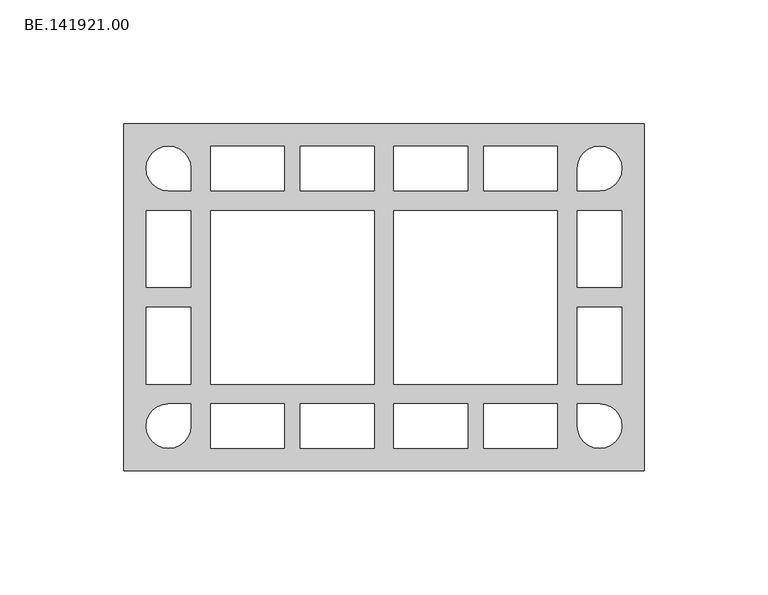
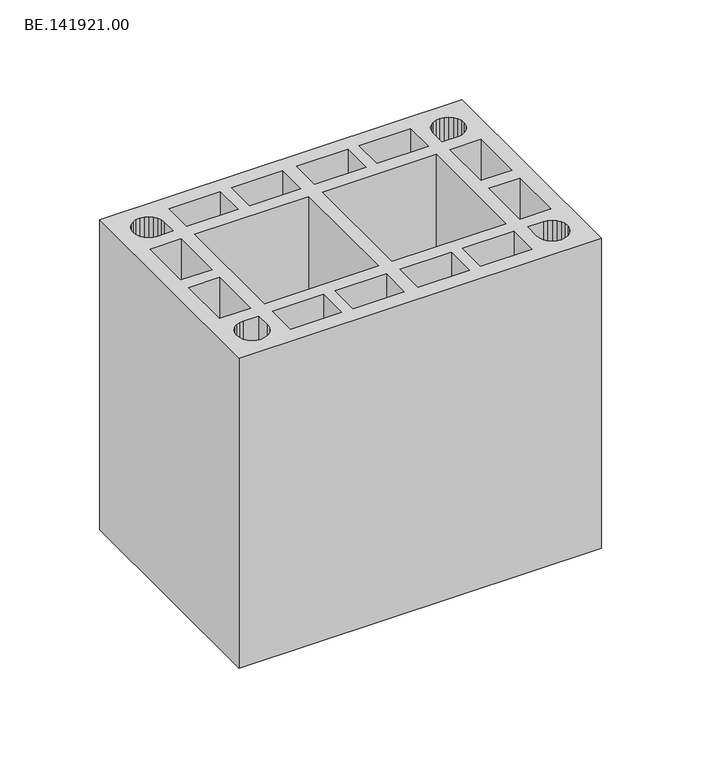
"""IFC4 building model written with IfcOpenShell, lengths in millimetres: proxy geometry, BE.141921.00."""

from ifc_helpers import new_model, si_unit, origin, origin_with_axes, place, context, project, spatial, polyline, outline, extrude, source, transform, mapped, element, save


def be_141921_00_38159638(model_context):
    return source(origin(), model_context, "Body", "SweptSolid", [
        extrude(outline(polyline([(215.0, 70.0050293), (215.0, -70.0050293), (5.0, -70.0050293), (5.0, 70.0050293), (215.0, 70.0050293)]), holes=[polyline([(23.0082031, 42.9927246), (32.0123047, 42.9927246), (32.0123047, 51.9968262), (31.6960449, 54.3222656), (30.8030762, 56.498877), (29.3706055, 58.3592285), (27.5102539, 59.7916992), (25.3336426, 60.684668), (23.0082031, 61.0009277), (20.6827637, 60.684668), (18.5061523, 59.7916992), (16.6458008, 58.3592285), (15.2133301, 56.498877), (14.3203613, 54.3222656), (14.0041016, 51.9968262), (14.3203613, 49.6713867), (15.2133301, 47.4947754), (16.6458008, 45.6344238), (18.5061523, 44.2019531), (20.6827637, 43.3089844), (23.0082031, 42.9927246)]), polyline([(105.9984863, 34.9932129), (40.0118164, 34.9932129), (40.0118164, -35.0118164), (105.9984863, -35.0118164), (105.9984863, 34.9932129)]), polyline([(113.997998, -35.0118164), (180.0032715, -35.0118164), (180.0032715, 34.9932129), (113.997998, 34.9932129), (113.997998, -35.0118164)]), polyline([(14.0041016, 3.9997559), (32.0123047, 3.9997559), (32.0123047, 34.9932129), (14.0041016, 34.9932129), (14.0041016, 3.9997559)]), polyline([(14.0041016, -35.0118164), (32.0123047, -35.0118164), (32.0123047, -3.9997559), (14.0041016, -3.9997559), (14.0041016, -35.0118164)]), polyline([(40.0118164, 42.9927246), (69.7588379, 42.9927246), (69.7588379, 61.0009277), (40.0118164, 61.0009277), (40.0118164, 42.9927246)]), polyline([(76.2514648, 42.9927246), (105.9984863, 42.9927246), (105.9984863, 61.0009277), (76.2514648, 61.0009277), (76.2514648, 42.9927246)]), polyline([(113.997998, 42.9927246), (143.763623, 42.9927246), (143.763623, 61.0009277), (113.997998, 61.0009277), (113.997998, 42.9927246)]), polyline([(150.25625, 61.0009277), (150.25625, 42.9927246), (180.0032715, 42.9927246), (180.0032715, 61.0009277), (150.25625, 61.0009277)]), polyline([(197.0068848, 42.9927246), (199.3323242, 43.3089844), (201.5089355, 44.2019531), (203.3692871, 45.6344238), (204.8017578, 47.4947754), (205.6947266, 49.6713867), (206.0109863, 51.9968262), (205.6947266, 54.3222656), (204.8017578, 56.498877), (203.3692871, 58.3592285), (201.5089355, 59.7916992), (199.3323242, 60.684668), (197.0068848, 61.0009277), (194.6814453, 60.684668), (192.504834, 59.7916992), (190.6444824, 58.3592285), (189.2120117, 56.498877), (188.319043, 54.3222656), (188.0027832, 51.9968262), (188.0027832, 42.9927246), (197.0068848, 42.9927246)]), polyline([(188.319043, -54.3408691), (189.2120117, -56.498877), (190.6444824, -58.3592285), (192.504834, -59.7916992), (194.6814453, -60.7032715), (197.0068848, -61.0009277), (199.3323242, -60.7032715), (201.5089355, -59.7916992), (203.3692871, -58.3592285), (204.8017578, -56.498877), (205.6947266, -54.3408691), (206.0109863, -51.9968262), (205.6947266, -49.6713867), (204.8017578, -47.4947754), (203.3692871, -45.6344238), (201.5089355, -44.2019531), (199.3323242, -43.3089844), (197.0068848, -43.0113281), (188.0027832, -43.0113281), (188.0027832, -51.9968262), (188.319043, -54.3408691)]), polyline([(206.0109863, -35.0118164), (206.0109863, -3.9997559), (188.0027832, -3.9997559), (188.0027832, -35.0118164), (206.0109863, -35.0118164)]), polyline([(206.0109863, 3.9997559), (206.0109863, 34.9932129), (188.0027832, 34.9932129), (188.0027832, 3.9997559), (206.0109863, 3.9997559)]), polyline([(40.0118164, -42.9927246), (40.0118164, -61.0009277), (69.7588379, -61.0009277), (69.7588379, -42.9927246), (40.0118164, -42.9927246)]), polyline([(76.2514648, -42.9927246), (76.2514648, -61.0009277), (105.9984863, -61.0009277), (105.9984863, -42.9927246), (76.2514648, -42.9927246)]), polyline([(113.997998, -42.9927246), (113.997998, -61.0009277), (143.763623, -61.0009277), (143.763623, -42.9927246), (113.997998, -42.9927246)]), polyline([(150.25625, -61.0009277), (180.0032715, -61.0009277), (180.0032715, -42.9927246), (150.25625, -42.9927246), (150.25625, -61.0009277)]), polyline([(32.0123047, -51.9968262), (32.0123047, -43.0113281), (23.0082031, -43.0113281), (20.6827637, -43.3089844), (18.5061523, -44.2019531), (16.6458008, -45.6344238), (15.2133301, -47.4947754), (14.3203613, -49.6713867), (14.0041016, -51.9968262), (14.3203613, -54.3408691), (15.2133301, -56.498877), (16.6458008, -58.3592285), (18.5061523, -59.7916992), (20.6827637, -60.7032715), (23.0082031, -61.0009277), (25.3336426, -60.7032715), (27.5102539, -59.7916992), (29.3706055, -58.3592285), (30.8030762, -56.498877), (31.6960449, -54.3408691), (32.0123047, -51.9968262)])]), origin_with_axes(), (0.0, 0.0, 1.0), 190.0),
    ])


if __name__ == "__main__":
    model = new_model("IFC4")
    model_context = context("Model", 3, world=origin())
    ifc_project = project(units=[si_unit("LENGTHUNIT", "METRE", prefix="MILLI")], contexts=[model_context])
    site = spatial("IfcSite", under=ifc_project)
    building = spatial("IfcBuilding", under=site)
    placement = place(None, origin())
    be_141921_00_shape = be_141921_00_38159638(model_context)
    element("IfcBuildingElementProxy", 1, Name="BE.141921.00", ObjectType="BE.141921.00", at=placement, inside=building, context=model_context, shape_type="MappedRepresentation", body=[
        mapped(be_141921_00_shape, transform((0.0, 0.0, 0.0), x_axis=(1.0, 0.0, 0.0), y_axis=(0.0, 1.0, 0.0), z_axis=(0.0, 0.0, 1.0))),
    ])
    save(model, "model.ifc")
